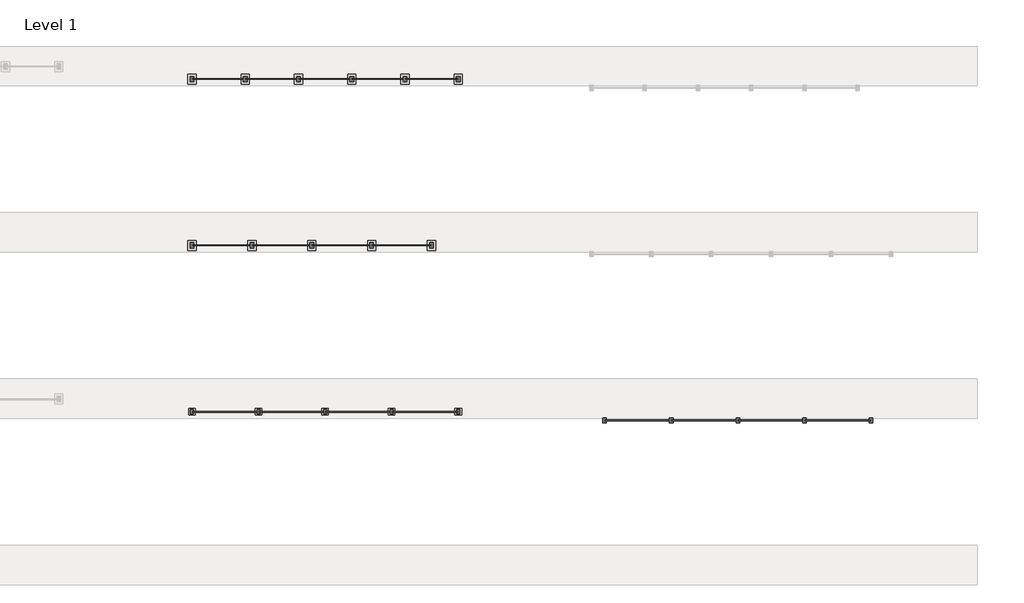
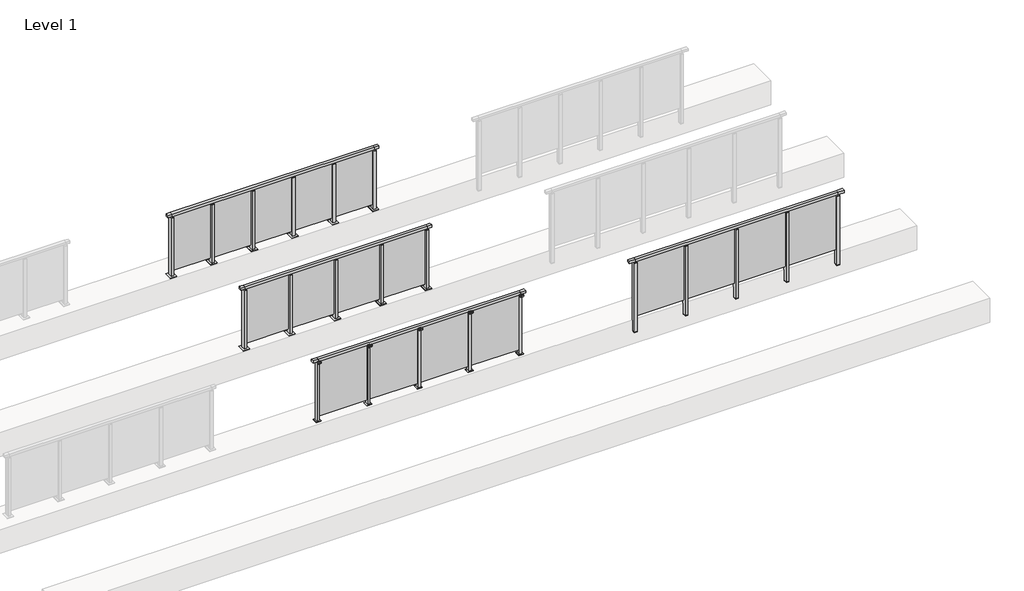
# One storey, part 33 of 38: 4 railings.
"""IFC4 building model written with IfcOpenShell, lengths in millimetres."""

from ifc_helpers import new_model, si_unit, point, frame, frame_2d, origin, origin_with_axes, place, context, project, spatial, polyline, circle_curve, trimmed, segment, composite_curve, outline, extrude, faceted_brep, element, save

model = new_model("IFC4")

# Units and contexts
model_context = context("Model", 3, world=origin())
ifc_project = project(units=[si_unit("LENGTHUNIT", "METRE", prefix="MILLI")], contexts=[model_context])

# Site, building, storey
site = spatial("IfcSite", under=ifc_project)
building = spatial("IfcBuilding", under=site)
storey = spatial("IfcBuildingStorey", under=building, Name="Level 1", Elevation=0.0)

# Railings
placement = place(None, origin())
element("IfcRailing", 1, at=placement, inside=storey, context=model_context, shape_type="SolidModel", body=[
    faceted_brep([(41676.1884576, 32397.6846828, 1252.5), (41676.1884576, 32397.6846828, 1300.0), (45676.1884576, 32397.6846828, 1300.0), (45676.1884576, 32397.6846828, 1252.5), (41676.1884576, 32337.6846828, 1252.5), (45676.1884576, 32337.6846828, 1252.5), (41676.1884576, 32337.6846828, 1300.0), (45676.1884576, 32337.6846828, 1300.0), (41553.1884576, 32397.6846828, 1300.0), (41553.1884576, 32397.6846828, 1252.5), (41553.1884576, 32337.6846828, 1252.5), (41553.1884576, 32337.6846828, 1300.0), (45799.1884576, 32397.6846828, 1300.0), (45799.1884576, 32337.6846828, 1300.0), (45799.1884576, 32337.6846828, 1252.5), (45799.1884576, 32397.6846828, 1252.5)], [[[0, 1, 2, 3]], [[4, 0, 3, 5]], [[6, 4, 5, 7]], [[1, 6, 7, 2]], [[8, 9, 10, 11]], [[9, 8, 1, 0]], [[10, 9, 0, 4]], [[11, 10, 4, 6]], [[8, 11, 6, 1]], [[12, 13, 14, 15]], [[3, 2, 12, 15]], [[5, 3, 15, 14]], [[7, 5, 14, 13]], [[2, 7, 13, 12]]]),
    extrude(outline(polyline([(44686.1884576, 32360.9094929), (44686.1884576, 32372.9094929), (45666.1884576, 32372.9094929), (45666.1884576, 32360.9094929), (44686.1884576, 32360.9094929)])), frame((0.0, 0.0, 95.0), z_axis=(0.0, 0.0, 1.0), x_axis=(1.0, 0.0, 0.0)), (0.0, 0.0, 1.0), 1160.0),
    extrude(outline(polyline([(44703.1884576, 32406.6846828), (44703.1884576, 32328.6846828), (44649.1884576, 32328.6846828), (44649.1884576, 32406.6846828), (44703.1884576, 32406.6846828)])), frame((0.0, 0.0, 1227.0), z_axis=(0.0, 0.0, 1.0), x_axis=(1.0, 0.0, 0.0)), (0.0, 0.0, 1.0), 8.0),
    extrude(outline(polyline([(44686.1884576, 32377.6846828), (44686.1884576, 32357.6846828), (44666.1884576, 32357.6846828), (44666.1884576, 32377.6846828), (44686.1884576, 32377.6846828)])), frame((0.0, 0.0, 1235.0), z_axis=(0.0, 0.0, 1.0), x_axis=(1.0, 0.0, 0.0)), (0.0, 0.0, 1.0), 20.0),
    extrude(outline(polyline([(44703.1884576, 32406.6846828), (44703.1884576, 32328.6846828), (44649.1884576, 32328.6846828), (44649.1884576, 32406.6846828), (44703.1884576, 32406.6846828)])), frame((0.0, 0.0, -220.0), z_axis=(0.0, 0.0, 1.0), x_axis=(1.0, 0.0, 0.0)), (0.0, 0.0, 1.0), 8.0),
    extrude(outline(polyline([(44703.1884576, 32406.6846828), (44703.1884576, 32328.6846828), (44649.1884576, 32328.6846828), (44649.1884576, 32406.6846828), (44703.1884576, 32406.6846828)])), frame((0.0, 0.0, -212.0), z_axis=(0.0, 0.0, 1.0), x_axis=(1.0, 0.0, 0.0)), (0.0, 0.0, 1.0), 1439.0),
    extrude(outline(polyline([(43686.1884576, 32360.9094929), (43686.1884576, 32372.9094929), (44666.1884576, 32372.9094929), (44666.1884576, 32360.9094929), (43686.1884576, 32360.9094929)])), frame((0.0, 0.0, 95.0), z_axis=(0.0, 0.0, 1.0), x_axis=(1.0, 0.0, 0.0)), (0.0, 0.0, 1.0), 1160.0),
    extrude(outline(polyline([(43703.1884576, 32406.6846828), (43703.1884576, 32328.6846828), (43649.1884576, 32328.6846828), (43649.1884576, 32406.6846828), (43703.1884576, 32406.6846828)])), frame((0.0, 0.0, 1227.0), z_axis=(0.0, 0.0, 1.0), x_axis=(1.0, 0.0, 0.0)), (0.0, 0.0, 1.0), 8.0),
    extrude(outline(polyline([(43686.1884576, 32377.6846828), (43686.1884576, 32357.6846828), (43666.1884576, 32357.6846828), (43666.1884576, 32377.6846828), (43686.1884576, 32377.6846828)])), frame((0.0, 0.0, 1235.0), z_axis=(0.0, 0.0, 1.0), x_axis=(1.0, 0.0, 0.0)), (0.0, 0.0, 1.0), 20.0),
    extrude(outline(polyline([(43703.1884576, 32406.6846828), (43703.1884576, 32328.6846828), (43649.1884576, 32328.6846828), (43649.1884576, 32406.6846828), (43703.1884576, 32406.6846828)])), frame((0.0, 0.0, -220.0), z_axis=(0.0, 0.0, 1.0), x_axis=(1.0, 0.0, 0.0)), (0.0, 0.0, 1.0), 8.0),
    extrude(outline(polyline([(43703.1884576, 32406.6846828), (43703.1884576, 32328.6846828), (43649.1884576, 32328.6846828), (43649.1884576, 32406.6846828), (43703.1884576, 32406.6846828)])), frame((0.0, 0.0, -212.0), z_axis=(0.0, 0.0, 1.0), x_axis=(1.0, 0.0, 0.0)), (0.0, 0.0, 1.0), 1439.0),
    extrude(outline(polyline([(42686.1884576, 32360.9094929), (42686.1884576, 32372.9094929), (43666.1884576, 32372.9094929), (43666.1884576, 32360.9094929), (42686.1884576, 32360.9094929)])), frame((0.0, 0.0, 95.0), z_axis=(0.0, 0.0, 1.0), x_axis=(1.0, 0.0, 0.0)), (0.0, 0.0, 1.0), 1160.0),
    extrude(outline(polyline([(42703.1884576, 32406.6846828), (42703.1884576, 32328.6846828), (42649.1884576, 32328.6846828), (42649.1884576, 32406.6846828), (42703.1884576, 32406.6846828)])), frame((0.0, 0.0, 1227.0), z_axis=(0.0, 0.0, 1.0), x_axis=(1.0, 0.0, 0.0)), (0.0, 0.0, 1.0), 8.0),
    extrude(outline(polyline([(42686.1884576, 32377.6846828), (42686.1884576, 32357.6846828), (42666.1884576, 32357.6846828), (42666.1884576, 32377.6846828), (42686.1884576, 32377.6846828)])), frame((0.0, 0.0, 1235.0), z_axis=(0.0, 0.0, 1.0), x_axis=(1.0, 0.0, 0.0)), (0.0, 0.0, 1.0), 20.0),
    extrude(outline(polyline([(42703.1884576, 32406.6846828), (42703.1884576, 32328.6846828), (42649.1884576, 32328.6846828), (42649.1884576, 32406.6846828), (42703.1884576, 32406.6846828)])), frame((0.0, 0.0, -220.0), z_axis=(0.0, 0.0, 1.0), x_axis=(1.0, 0.0, 0.0)), (0.0, 0.0, 1.0), 8.0),
    extrude(outline(polyline([(42703.1884576, 32406.6846828), (42703.1884576, 32328.6846828), (42649.1884576, 32328.6846828), (42649.1884576, 32406.6846828), (42703.1884576, 32406.6846828)])), frame((0.0, 0.0, -212.0), z_axis=(0.0, 0.0, 1.0), x_axis=(1.0, 0.0, 0.0)), (0.0, 0.0, 1.0), 1439.0),
    extrude(outline(polyline([(41686.1884576, 32360.9094929), (41686.1884576, 32372.9094929), (42666.1884576, 32372.9094929), (42666.1884576, 32360.9094929), (41686.1884576, 32360.9094929)])), frame((0.0, 0.0, 95.0), z_axis=(0.0, 0.0, 1.0), x_axis=(1.0, 0.0, 0.0)), (0.0, 0.0, 1.0), 1160.0),
    extrude(outline(polyline([(45703.1884576, 32406.6846828), (45703.1884576, 32328.6846828), (45649.1884576, 32328.6846828), (45649.1884576, 32406.6846828), (45703.1884576, 32406.6846828)])), frame((0.0, 0.0, 1227.0), z_axis=(0.0, 0.0, 1.0), x_axis=(1.0, 0.0, 0.0)), (0.0, 0.0, 1.0), 8.0),
    extrude(outline(polyline([(45686.1884576, 32377.6846828), (45686.1884576, 32357.6846828), (45666.1884576, 32357.6846828), (45666.1884576, 32377.6846828), (45686.1884576, 32377.6846828)])), frame((0.0, 0.0, 1235.0), z_axis=(0.0, 0.0, 1.0), x_axis=(1.0, 0.0, 0.0)), (0.0, 0.0, 1.0), 20.0),
    extrude(outline(polyline([(45703.1884576, 32406.6846828), (45703.1884576, 32328.6846828), (45649.1884576, 32328.6846828), (45649.1884576, 32406.6846828), (45703.1884576, 32406.6846828)])), frame((0.0, 0.0, -220.0), z_axis=(0.0, 0.0, 1.0), x_axis=(1.0, 0.0, 0.0)), (0.0, 0.0, 1.0), 8.0),
    extrude(outline(polyline([(45703.1884576, 32406.6846828), (45703.1884576, 32328.6846828), (45649.1884576, 32328.6846828), (45649.1884576, 32406.6846828), (45703.1884576, 32406.6846828)])), frame((0.0, 0.0, -212.0), z_axis=(0.0, 0.0, 1.0), x_axis=(1.0, 0.0, 0.0)), (0.0, 0.0, 1.0), 1439.0),
    extrude(outline(polyline([(41703.1884576, 32406.6846828), (41703.1884576, 32328.6846828), (41649.1884576, 32328.6846828), (41649.1884576, 32406.6846828), (41703.1884576, 32406.6846828)])), frame((0.0, 0.0, 1227.0), z_axis=(0.0, 0.0, 1.0), x_axis=(1.0, 0.0, 0.0)), (0.0, 0.0, 1.0), 8.0),
    extrude(outline(polyline([(41686.1884576, 32377.6846828), (41686.1884576, 32357.6846828), (41666.1884576, 32357.6846828), (41666.1884576, 32377.6846828), (41686.1884576, 32377.6846828)])), frame((0.0, 0.0, 1235.0), z_axis=(0.0, 0.0, 1.0), x_axis=(1.0, 0.0, 0.0)), (0.0, 0.0, 1.0), 20.0),
    extrude(outline(polyline([(41703.1884576, 32406.6846828), (41703.1884576, 32328.6846828), (41649.1884576, 32328.6846828), (41649.1884576, 32406.6846828), (41703.1884576, 32406.6846828)])), frame((0.0, 0.0, -220.0), z_axis=(0.0, 0.0, 1.0), x_axis=(1.0, 0.0, 0.0)), (0.0, 0.0, 1.0), 8.0),
    extrude(outline(polyline([(41703.1884576, 32406.6846828), (41703.1884576, 32328.6846828), (41649.1884576, 32328.6846828), (41649.1884576, 32406.6846828), (41703.1884576, 32406.6846828)])), frame((0.0, 0.0, -212.0), z_axis=(0.0, 0.0, 1.0), x_axis=(1.0, 0.0, 0.0)), (0.0, 0.0, 1.0), 1439.0),
])
element("IfcRailing", 2, at=placement, inside=storey, context=model_context, shape_type="SolidModel", body=[
    faceted_brep([(35376.1884576, 32530.1846828, 1300.0), (35376.1884576, 32530.1846828, 1252.5), (35376.1884576, 32470.1846828, 1252.5), (35376.1884576, 32470.1846828, 1300.0), (35476.1884576, 32530.1846828, 1300.0), (35476.1884576, 32530.1846828, 1252.5), (35476.1884576, 32470.1846828, 1252.5), (35476.1884576, 32470.1846828, 1300.0), (39476.1884576, 32530.1846828, 1300.0), (39476.1884576, 32530.1846828, 1252.5), (39476.1884576, 32470.1846828, 1252.5), (39476.1884576, 32470.1846828, 1300.0), (39576.1884576, 32530.1846828, 1300.0), (39576.1884576, 32470.1846828, 1300.0), (39576.1884576, 32470.1846828, 1252.5), (39576.1884576, 32530.1846828, 1252.5)], [[[0, 1, 2, 3]], [[1, 0, 4, 5]], [[2, 1, 5, 6]], [[3, 2, 6, 7]], [[0, 3, 7, 4]], [[5, 4, 8, 9]], [[6, 5, 9, 10]], [[7, 6, 10, 11]], [[4, 7, 11, 8]], [[12, 13, 14, 15]], [[9, 8, 12, 15]], [[10, 9, 15, 14]], [[11, 10, 14, 13]], [[8, 11, 13, 12]]]),
    extrude(outline(polyline([(38486.1884576, 32501.9598727), (39466.1884576, 32501.9598727), (39466.1884576, 32489.9598727), (38486.1884576, 32489.9598727), (38486.1884576, 32501.9598727)])), frame((0.0, 0.0, 95.0), z_axis=(0.0, 0.0, 1.0), x_axis=(1.0, 0.0, 0.0)), (0.0, 0.0, 1.0), 1160.0),
    extrude(outline(composite_curve([segment(polyline([(32379.6846828, 1300.0), (32403.6846828, 1300.0), (32403.6846828, 1272.1487483), (32467.6846828, 1255.0), (32467.6846828, 1205.0), (32459.0523072, 1205.0)]), True, "CONTINUOUS"), segment(trimmed(circle_curve(frame_2d((32459.0523072, 1208.0)), 3.0), [point((32459.0523072, 1205.0))], [point((32456.0779726, 1207.6084214))], False, "CARTESIAN"), True, "CONTINUOUS"), segment(polyline([(32456.0779726, 1207.6084214), (32451.4711505, 1242.6007097)]), True, "CONTINUOUS"), segment(trimmed(circle_curve(frame_2d((32441.5567019, 1241.2954478)), 10.0), [point((32451.4711505, 1242.6007097))], [point((32444.1448923, 1250.9547061))], True, "CARTESIAN"), True, "CONTINUOUS"), segment(polyline([(32444.1448923, 1250.9547061), (32387.0964924, 1266.2407787)]), True, "CONTINUOUS"), segment(trimmed(circle_curve(frame_2d((32389.6846828, 1275.900037)), 10.0), [point((32387.0964924, 1266.2407787))], [point((32379.6846828, 1275.900037))], False, "CARTESIAN"), True, "CONTINUOUS"), segment(polyline([(32379.6846828, 1275.900037), (32379.6846828, 1300.0)]), True, "CONTINUOUS")], self_intersect=False)), frame((38463.6884576, 0.0, 0.0), z_axis=(1.0, 0.0, 0.0), x_axis=(0.0, 1.0, 0.0)), (0.0, 0.0, 1.0), 25.0),
    extrude(outline(polyline([(38498.6884576, 32467.6846828), (38453.6884576, 32467.6846828), (38453.6884576, 32532.6846828), (38498.6884576, 32532.6846828), (38498.6884576, 32467.6846828)])), frame((0.0, 0.0, 12.0), z_axis=(0.0, 0.0, 1.0), x_axis=(1.0, 0.0, 0.0)), (0.0, 0.0, 1.0), 1243.0),
    extrude(outline(polyline([(38498.6884576, 32467.6846828), (38453.6884576, 32467.6846828), (38453.6884576, 32532.6846828), (38498.6884576, 32532.6846828), (38498.6884576, 32467.6846828)])), frame((0.0, 0.0, 1255.0), z_axis=(0.0, 0.0, 1.0), x_axis=(1.0, 0.0, 0.0)), (0.0, 0.0, 1.0), 5.0),
    extrude(outline(polyline([(38526.1884576, 32450.1846828), (38426.1884576, 32450.1846828), (38426.1884576, 32550.1846828), (38526.1884576, 32550.1846828), (38526.1884576, 32450.1846828)])), origin_with_axes(), (0.0, 0.0, 1.0), 12.0),
    extrude(outline(polyline([(37486.1884576, 32501.9598727), (38466.1884576, 32501.9598727), (38466.1884576, 32489.9598727), (37486.1884576, 32489.9598727), (37486.1884576, 32501.9598727)])), frame((0.0, 0.0, 95.0), z_axis=(0.0, 0.0, 1.0), x_axis=(1.0, 0.0, 0.0)), (0.0, 0.0, 1.0), 1160.0),
    extrude(outline(composite_curve([segment(polyline([(32379.6846828, 1300.0), (32403.6846828, 1300.0), (32403.6846828, 1272.1487483), (32467.6846828, 1255.0), (32467.6846828, 1205.0), (32459.0523072, 1205.0)]), True, "CONTINUOUS"), segment(trimmed(circle_curve(frame_2d((32459.0523072, 1208.0)), 3.0), [point((32459.0523072, 1205.0))], [point((32456.0779726, 1207.6084214))], False, "CARTESIAN"), True, "CONTINUOUS"), segment(polyline([(32456.0779726, 1207.6084214), (32451.4711505, 1242.6007097)]), True, "CONTINUOUS"), segment(trimmed(circle_curve(frame_2d((32441.5567019, 1241.2954478)), 10.0), [point((32451.4711505, 1242.6007097))], [point((32444.1448923, 1250.9547061))], True, "CARTESIAN"), True, "CONTINUOUS"), segment(polyline([(32444.1448923, 1250.9547061), (32387.0964924, 1266.2407787)]), True, "CONTINUOUS"), segment(trimmed(circle_curve(frame_2d((32389.6846828, 1275.900037)), 10.0), [point((32387.0964924, 1266.2407787))], [point((32379.6846828, 1275.900037))], False, "CARTESIAN"), True, "CONTINUOUS"), segment(polyline([(32379.6846828, 1275.900037), (32379.6846828, 1300.0)]), True, "CONTINUOUS")], self_intersect=False)), frame((37463.6884576, 0.0, 0.0), z_axis=(1.0, 0.0, 0.0), x_axis=(0.0, 1.0, 0.0)), (0.0, 0.0, 1.0), 25.0),
    extrude(outline(polyline([(37498.6884576, 32467.6846828), (37453.6884576, 32467.6846828), (37453.6884576, 32532.6846828), (37498.6884576, 32532.6846828), (37498.6884576, 32467.6846828)])), frame((0.0, 0.0, 12.0), z_axis=(0.0, 0.0, 1.0), x_axis=(1.0, 0.0, 0.0)), (0.0, 0.0, 1.0), 1243.0),
    extrude(outline(polyline([(37498.6884576, 32467.6846828), (37453.6884576, 32467.6846828), (37453.6884576, 32532.6846828), (37498.6884576, 32532.6846828), (37498.6884576, 32467.6846828)])), frame((0.0, 0.0, 1255.0), z_axis=(0.0, 0.0, 1.0), x_axis=(1.0, 0.0, 0.0)), (0.0, 0.0, 1.0), 5.0),
    extrude(outline(polyline([(37526.1884576, 32450.1846828), (37426.1884576, 32450.1846828), (37426.1884576, 32550.1846828), (37526.1884576, 32550.1846828), (37526.1884576, 32450.1846828)])), origin_with_axes(), (0.0, 0.0, 1.0), 12.0),
    extrude(outline(polyline([(36486.1884576, 32501.9598727), (37466.1884576, 32501.9598727), (37466.1884576, 32489.9598727), (36486.1884576, 32489.9598727), (36486.1884576, 32501.9598727)])), frame((0.0, 0.0, 95.0), z_axis=(0.0, 0.0, 1.0), x_axis=(1.0, 0.0, 0.0)), (0.0, 0.0, 1.0), 1160.0),
    extrude(outline(composite_curve([segment(polyline([(32379.6846828, 1300.0), (32403.6846828, 1300.0), (32403.6846828, 1272.1487483), (32467.6846828, 1255.0), (32467.6846828, 1205.0), (32459.0523072, 1205.0)]), True, "CONTINUOUS"), segment(trimmed(circle_curve(frame_2d((32459.0523072, 1208.0)), 3.0), [point((32459.0523072, 1205.0))], [point((32456.0779726, 1207.6084214))], False, "CARTESIAN"), True, "CONTINUOUS"), segment(polyline([(32456.0779726, 1207.6084214), (32451.4711505, 1242.6007097)]), True, "CONTINUOUS"), segment(trimmed(circle_curve(frame_2d((32441.5567019, 1241.2954478)), 10.0), [point((32451.4711505, 1242.6007097))], [point((32444.1448923, 1250.9547061))], True, "CARTESIAN"), True, "CONTINUOUS"), segment(polyline([(32444.1448923, 1250.9547061), (32387.0964924, 1266.2407787)]), True, "CONTINUOUS"), segment(trimmed(circle_curve(frame_2d((32389.6846828, 1275.900037)), 10.0), [point((32387.0964924, 1266.2407787))], [point((32379.6846828, 1275.900037))], False, "CARTESIAN"), True, "CONTINUOUS"), segment(polyline([(32379.6846828, 1275.900037), (32379.6846828, 1300.0)]), True, "CONTINUOUS")], self_intersect=False)), frame((36463.6884576, 0.0, 0.0), z_axis=(1.0, 0.0, 0.0), x_axis=(0.0, 1.0, 0.0)), (0.0, 0.0, 1.0), 25.0),
    extrude(outline(polyline([(36498.6884576, 32467.6846828), (36453.6884576, 32467.6846828), (36453.6884576, 32532.6846828), (36498.6884576, 32532.6846828), (36498.6884576, 32467.6846828)])), frame((0.0, 0.0, 12.0), z_axis=(0.0, 0.0, 1.0), x_axis=(1.0, 0.0, 0.0)), (0.0, 0.0, 1.0), 1243.0),
    extrude(outline(polyline([(36498.6884576, 32467.6846828), (36453.6884576, 32467.6846828), (36453.6884576, 32532.6846828), (36498.6884576, 32532.6846828), (36498.6884576, 32467.6846828)])), frame((0.0, 0.0, 1255.0), z_axis=(0.0, 0.0, 1.0), x_axis=(1.0, 0.0, 0.0)), (0.0, 0.0, 1.0), 5.0),
    extrude(outline(polyline([(36526.1884576, 32450.1846828), (36426.1884576, 32450.1846828), (36426.1884576, 32550.1846828), (36526.1884576, 32550.1846828), (36526.1884576, 32450.1846828)])), origin_with_axes(), (0.0, 0.0, 1.0), 12.0),
    extrude(outline(polyline([(35486.1884576, 32501.9598727), (36466.1884576, 32501.9598727), (36466.1884576, 32489.9598727), (35486.1884576, 32489.9598727), (35486.1884576, 32501.9598727)])), frame((0.0, 0.0, 95.0), z_axis=(0.0, 0.0, 1.0), x_axis=(1.0, 0.0, 0.0)), (0.0, 0.0, 1.0), 1160.0),
    extrude(outline(composite_curve([segment(polyline([(32379.6846828, 1300.0), (32403.6846828, 1300.0), (32403.6846828, 1272.1487483), (32467.6846828, 1255.0), (32467.6846828, 1205.0), (32459.0523072, 1205.0)]), True, "CONTINUOUS"), segment(trimmed(circle_curve(frame_2d((32459.0523072, 1208.0)), 3.0), [point((32459.0523072, 1205.0))], [point((32456.0779726, 1207.6084214))], False, "CARTESIAN"), True, "CONTINUOUS"), segment(polyline([(32456.0779726, 1207.6084214), (32451.4711505, 1242.6007097)]), True, "CONTINUOUS"), segment(trimmed(circle_curve(frame_2d((32441.5567019, 1241.2954478)), 10.0), [point((32451.4711505, 1242.6007097))], [point((32444.1448923, 1250.9547061))], True, "CARTESIAN"), True, "CONTINUOUS"), segment(polyline([(32444.1448923, 1250.9547061), (32387.0964924, 1266.2407787)]), True, "CONTINUOUS"), segment(trimmed(circle_curve(frame_2d((32389.6846828, 1275.900037)), 10.0), [point((32387.0964924, 1266.2407787))], [point((32379.6846828, 1275.900037))], False, "CARTESIAN"), True, "CONTINUOUS"), segment(polyline([(32379.6846828, 1275.900037), (32379.6846828, 1300.0)]), True, "CONTINUOUS")], self_intersect=False)), frame((39463.6884576, 0.0, 0.0), z_axis=(1.0, 0.0, 0.0), x_axis=(0.0, 1.0, 0.0)), (0.0, 0.0, 1.0), 25.0),
    extrude(outline(polyline([(39498.6884576, 32467.6846828), (39453.6884576, 32467.6846828), (39453.6884576, 32532.6846828), (39498.6884576, 32532.6846828), (39498.6884576, 32467.6846828)])), frame((0.0, 0.0, 12.0), z_axis=(0.0, 0.0, 1.0), x_axis=(1.0, 0.0, 0.0)), (0.0, 0.0, 1.0), 1243.0),
    extrude(outline(polyline([(39498.6884576, 32467.6846828), (39453.6884576, 32467.6846828), (39453.6884576, 32532.6846828), (39498.6884576, 32532.6846828), (39498.6884576, 32467.6846828)])), frame((0.0, 0.0, 1255.0), z_axis=(0.0, 0.0, 1.0), x_axis=(1.0, 0.0, 0.0)), (0.0, 0.0, 1.0), 5.0),
    extrude(outline(polyline([(39526.1884576, 32450.1846828), (39426.1884576, 32450.1846828), (39426.1884576, 32550.1846828), (39526.1884576, 32550.1846828), (39526.1884576, 32450.1846828)])), origin_with_axes(), (0.0, 0.0, 1.0), 12.0),
    extrude(outline(composite_curve([segment(polyline([(32379.6846828, 1300.0), (32403.6846828, 1300.0), (32403.6846828, 1272.1487483), (32467.6846828, 1255.0), (32467.6846828, 1205.0), (32459.0523072, 1205.0)]), True, "CONTINUOUS"), segment(trimmed(circle_curve(frame_2d((32459.0523072, 1208.0)), 3.0), [point((32459.0523072, 1205.0))], [point((32456.0779726, 1207.6084214))], False, "CARTESIAN"), True, "CONTINUOUS"), segment(polyline([(32456.0779726, 1207.6084214), (32451.4711505, 1242.6007097)]), True, "CONTINUOUS"), segment(trimmed(circle_curve(frame_2d((32441.5567019, 1241.2954478)), 10.0), [point((32451.4711505, 1242.6007097))], [point((32444.1448923, 1250.9547061))], True, "CARTESIAN"), True, "CONTINUOUS"), segment(polyline([(32444.1448923, 1250.9547061), (32387.0964924, 1266.2407787)]), True, "CONTINUOUS"), segment(trimmed(circle_curve(frame_2d((32389.6846828, 1275.900037)), 10.0), [point((32387.0964924, 1266.2407787))], [point((32379.6846828, 1275.900037))], False, "CARTESIAN"), True, "CONTINUOUS"), segment(polyline([(32379.6846828, 1275.900037), (32379.6846828, 1300.0)]), True, "CONTINUOUS")], self_intersect=False)), frame((35463.6884576, 0.0, 0.0), z_axis=(1.0, 0.0, 0.0), x_axis=(0.0, 1.0, 0.0)), (0.0, 0.0, 1.0), 25.0),
    extrude(outline(polyline([(35498.6884576, 32467.6846828), (35453.6884576, 32467.6846828), (35453.6884576, 32532.6846828), (35498.6884576, 32532.6846828), (35498.6884576, 32467.6846828)])), frame((0.0, 0.0, 12.0), z_axis=(0.0, 0.0, 1.0), x_axis=(1.0, 0.0, 0.0)), (0.0, 0.0, 1.0), 1243.0),
    extrude(outline(polyline([(35498.6884576, 32467.6846828), (35453.6884576, 32467.6846828), (35453.6884576, 32532.6846828), (35498.6884576, 32532.6846828), (35498.6884576, 32467.6846828)])), frame((0.0, 0.0, 1255.0), z_axis=(0.0, 0.0, 1.0), x_axis=(1.0, 0.0, 0.0)), (0.0, 0.0, 1.0), 5.0),
    extrude(outline(polyline([(35526.1884576, 32450.1846828), (35426.1884576, 32450.1846828), (35426.1884576, 32550.1846828), (35526.1884576, 32550.1846828), (35526.1884576, 32450.1846828)])), origin_with_axes(), (0.0, 0.0, 1.0), 12.0),
])
element("IfcRailing", 3, at=placement, inside=storey, context=model_context, shape_type="SolidModel", body=[
    faceted_brep([(35476.1884576, 35030.1846828, 1252.5), (35476.1884576, 35030.1846828, 1300.0), (39076.1884576, 35030.1846828, 1300.0), (39076.1884576, 35030.1846828, 1252.5), (35476.1884576, 34970.1846828, 1252.5), (39076.1884576, 34970.1846828, 1252.5), (35476.1884576, 34970.1846828, 1300.0), (39076.1884576, 34970.1846828, 1300.0), (35388.6884576, 35030.1846828, 1300.0), (35388.6884576, 35030.1846828, 1252.5), (35388.6884576, 34970.1846828, 1252.5), (35388.6884576, 34970.1846828, 1300.0), (39163.6884576, 35030.1846828, 1300.0), (39163.6884576, 34970.1846828, 1300.0), (39163.6884576, 34970.1846828, 1252.5), (39163.6884576, 35030.1846828, 1252.5)], [[[0, 1, 2, 3]], [[4, 0, 3, 5]], [[6, 4, 5, 7]], [[1, 6, 7, 2]], [[8, 9, 10, 11]], [[9, 8, 1, 0]], [[10, 9, 0, 4]], [[11, 10, 4, 6]], [[8, 11, 6, 1]], [[12, 13, 14, 15]], [[3, 2, 12, 15]], [[5, 3, 15, 14]], [[7, 5, 14, 13]], [[2, 7, 13, 12]]]),
    extrude(outline(polyline([(38186.1884576, 35006.9598727), (39066.1884576, 35006.9598727), (39066.1884576, 34994.9598727), (38186.1884576, 34994.9598727), (38186.1884576, 35006.9598727)])), frame((0.0, 0.0, 95.0), z_axis=(0.0, 0.0, 1.0), x_axis=(1.0, 0.0, 0.0)), (0.0, 0.0, 1.0), 1160.0),
    extrude(outline(polyline([(38203.1884576, 34961.1846828), (38149.1884576, 34961.1846828), (38149.1884576, 35039.1846828), (38203.1884576, 35039.1846828), (38203.1884576, 34961.1846828)])), frame((0.0, 0.0, 12.0), z_axis=(0.0, 0.0, 1.0), x_axis=(1.0, 0.0, 0.0)), (0.0, 0.0, 1.0), 1215.0),
    extrude(outline(polyline([(38186.1884576, 34990.1846828), (38166.1884576, 34990.1846828), (38166.1884576, 35010.1846828), (38186.1884576, 35010.1846828), (38186.1884576, 34990.1846828)])), frame((0.0, 0.0, 1235.0), z_axis=(0.0, 0.0, 1.0), x_axis=(1.0, 0.0, 0.0)), (0.0, 0.0, 1.0), 20.0),
    extrude(outline(polyline([(38203.1884576, 34961.1846828), (38149.1884576, 34961.1846828), (38149.1884576, 35039.1846828), (38203.1884576, 35039.1846828), (38203.1884576, 34961.1846828)])), frame((0.0, 0.0, 1227.0), z_axis=(0.0, 0.0, 1.0), x_axis=(1.0, 0.0, 0.0)), (0.0, 0.0, 1.0), 8.0),
    extrude(outline(polyline([(38238.6884576, 34925.1846828), (38113.6884576, 34925.1846828), (38113.6884576, 35075.1846828), (38238.6884576, 35075.1846828), (38238.6884576, 34925.1846828)])), origin_with_axes(), (0.0, 0.0, 1.0), 12.0),
    extrude(outline(polyline([(37286.1884576, 35006.9598727), (38166.1884576, 35006.9598727), (38166.1884576, 34994.9598727), (37286.1884576, 34994.9598727), (37286.1884576, 35006.9598727)])), frame((0.0, 0.0, 95.0), z_axis=(0.0, 0.0, 1.0), x_axis=(1.0, 0.0, 0.0)), (0.0, 0.0, 1.0), 1160.0),
    extrude(outline(polyline([(37303.1884576, 34961.1846828), (37249.1884576, 34961.1846828), (37249.1884576, 35039.1846828), (37303.1884576, 35039.1846828), (37303.1884576, 34961.1846828)])), frame((0.0, 0.0, 12.0), z_axis=(0.0, 0.0, 1.0), x_axis=(1.0, 0.0, 0.0)), (0.0, 0.0, 1.0), 1215.0),
    extrude(outline(polyline([(37286.1884576, 34990.1846828), (37266.1884576, 34990.1846828), (37266.1884576, 35010.1846828), (37286.1884576, 35010.1846828), (37286.1884576, 34990.1846828)])), frame((0.0, 0.0, 1235.0), z_axis=(0.0, 0.0, 1.0), x_axis=(1.0, 0.0, 0.0)), (0.0, 0.0, 1.0), 20.0),
    extrude(outline(polyline([(37303.1884576, 34961.1846828), (37249.1884576, 34961.1846828), (37249.1884576, 35039.1846828), (37303.1884576, 35039.1846828), (37303.1884576, 34961.1846828)])), frame((0.0, 0.0, 1227.0), z_axis=(0.0, 0.0, 1.0), x_axis=(1.0, 0.0, 0.0)), (0.0, 0.0, 1.0), 8.0),
    extrude(outline(polyline([(37338.6884576, 34925.1846828), (37213.6884576, 34925.1846828), (37213.6884576, 35075.1846828), (37338.6884576, 35075.1846828), (37338.6884576, 34925.1846828)])), origin_with_axes(), (0.0, 0.0, 1.0), 12.0),
    extrude(outline(polyline([(36386.1884576, 35006.9598727), (37266.1884576, 35006.9598727), (37266.1884576, 34994.9598727), (36386.1884576, 34994.9598727), (36386.1884576, 35006.9598727)])), frame((0.0, 0.0, 95.0), z_axis=(0.0, 0.0, 1.0), x_axis=(1.0, 0.0, 0.0)), (0.0, 0.0, 1.0), 1160.0),
    extrude(outline(polyline([(36403.1884576, 34961.1846828), (36349.1884576, 34961.1846828), (36349.1884576, 35039.1846828), (36403.1884576, 35039.1846828), (36403.1884576, 34961.1846828)])), frame((0.0, 0.0, 12.0), z_axis=(0.0, 0.0, 1.0), x_axis=(1.0, 0.0, 0.0)), (0.0, 0.0, 1.0), 1215.0),
    extrude(outline(polyline([(36386.1884576, 34990.1846828), (36366.1884576, 34990.1846828), (36366.1884576, 35010.1846828), (36386.1884576, 35010.1846828), (36386.1884576, 34990.1846828)])), frame((0.0, 0.0, 1235.0), z_axis=(0.0, 0.0, 1.0), x_axis=(1.0, 0.0, 0.0)), (0.0, 0.0, 1.0), 20.0),
    extrude(outline(polyline([(36403.1884576, 34961.1846828), (36349.1884576, 34961.1846828), (36349.1884576, 35039.1846828), (36403.1884576, 35039.1846828), (36403.1884576, 34961.1846828)])), frame((0.0, 0.0, 1227.0), z_axis=(0.0, 0.0, 1.0), x_axis=(1.0, 0.0, 0.0)), (0.0, 0.0, 1.0), 8.0),
    extrude(outline(polyline([(36438.6884576, 34925.1846828), (36313.6884576, 34925.1846828), (36313.6884576, 35075.1846828), (36438.6884576, 35075.1846828), (36438.6884576, 34925.1846828)])), origin_with_axes(), (0.0, 0.0, 1.0), 12.0),
    extrude(outline(polyline([(35486.1884576, 35006.9598727), (36366.1884576, 35006.9598727), (36366.1884576, 34994.9598727), (35486.1884576, 34994.9598727), (35486.1884576, 35006.9598727)])), frame((0.0, 0.0, 95.0), z_axis=(0.0, 0.0, 1.0), x_axis=(1.0, 0.0, 0.0)), (0.0, 0.0, 1.0), 1160.0),
    extrude(outline(polyline([(39103.1884576, 34961.1846828), (39049.1884576, 34961.1846828), (39049.1884576, 35039.1846828), (39103.1884576, 35039.1846828), (39103.1884576, 34961.1846828)])), frame((0.0, 0.0, 12.0), z_axis=(0.0, 0.0, 1.0), x_axis=(1.0, 0.0, 0.0)), (0.0, 0.0, 1.0), 1215.0),
    extrude(outline(polyline([(39086.1884576, 34990.1846828), (39066.1884576, 34990.1846828), (39066.1884576, 35010.1846828), (39086.1884576, 35010.1846828), (39086.1884576, 34990.1846828)])), frame((0.0, 0.0, 1235.0), z_axis=(0.0, 0.0, 1.0), x_axis=(1.0, 0.0, 0.0)), (0.0, 0.0, 1.0), 20.0),
    extrude(outline(polyline([(39103.1884576, 34961.1846828), (39049.1884576, 34961.1846828), (39049.1884576, 35039.1846828), (39103.1884576, 35039.1846828), (39103.1884576, 34961.1846828)])), frame((0.0, 0.0, 1227.0), z_axis=(0.0, 0.0, 1.0), x_axis=(1.0, 0.0, 0.0)), (0.0, 0.0, 1.0), 8.0),
    extrude(outline(polyline([(39138.6884576, 34925.1846828), (39013.6884576, 34925.1846828), (39013.6884576, 35075.1846828), (39138.6884576, 35075.1846828), (39138.6884576, 34925.1846828)])), origin_with_axes(), (0.0, 0.0, 1.0), 12.0),
    extrude(outline(polyline([(35503.1884576, 34961.1846828), (35449.1884576, 34961.1846828), (35449.1884576, 35039.1846828), (35503.1884576, 35039.1846828), (35503.1884576, 34961.1846828)])), frame((0.0, 0.0, 12.0), z_axis=(0.0, 0.0, 1.0), x_axis=(1.0, 0.0, 0.0)), (0.0, 0.0, 1.0), 1215.0),
    extrude(outline(polyline([(35486.1884576, 34990.1846828), (35466.1884576, 34990.1846828), (35466.1884576, 35010.1846828), (35486.1884576, 35010.1846828), (35486.1884576, 34990.1846828)])), frame((0.0, 0.0, 1235.0), z_axis=(0.0, 0.0, 1.0), x_axis=(1.0, 0.0, 0.0)), (0.0, 0.0, 1.0), 20.0),
    extrude(outline(polyline([(35503.1884576, 34961.1846828), (35449.1884576, 34961.1846828), (35449.1884576, 35039.1846828), (35503.1884576, 35039.1846828), (35503.1884576, 34961.1846828)])), frame((0.0, 0.0, 1227.0), z_axis=(0.0, 0.0, 1.0), x_axis=(1.0, 0.0, 0.0)), (0.0, 0.0, 1.0), 8.0),
    extrude(outline(polyline([(35538.6884576, 34925.1846828), (35413.6884576, 34925.1846828), (35413.6884576, 35075.1846828), (35538.6884576, 35075.1846828), (35538.6884576, 34925.1846828)])), origin_with_axes(), (0.0, 0.0, 1.0), 12.0),
])
element("IfcRailing", 4, at=placement, inside=storey, context=model_context, shape_type="SolidModel", body=[
    faceted_brep([(35476.1884576, 37530.1846828, 1252.5), (35476.1884576, 37530.1846828, 1300.0), (39476.1884576, 37530.1846828, 1300.0), (39476.1884576, 37530.1846828, 1252.5), (35476.1884576, 37470.1846828, 1252.5), (39476.1884576, 37470.1846828, 1252.5), (35476.1884576, 37470.1846828, 1300.0), (39476.1884576, 37470.1846828, 1300.0), (35388.6884576, 37530.1846828, 1300.0), (35388.6884576, 37530.1846828, 1252.5), (35388.6884576, 37470.1846828, 1252.5), (35388.6884576, 37470.1846828, 1300.0), (39563.6884576, 37530.1846828, 1300.0), (39563.6884576, 37470.1846828, 1300.0), (39563.6884576, 37470.1846828, 1252.5), (39563.6884576, 37530.1846828, 1252.5)], [[[0, 1, 2, 3]], [[4, 0, 3, 5]], [[6, 4, 5, 7]], [[1, 6, 7, 2]], [[8, 9, 10, 11]], [[9, 8, 1, 0]], [[10, 9, 0, 4]], [[11, 10, 4, 6]], [[8, 11, 6, 1]], [[12, 13, 14, 15]], [[3, 2, 12, 15]], [[5, 3, 15, 14]], [[7, 5, 14, 13]], [[2, 7, 13, 12]]]),
    extrude(outline(polyline([(38686.1884576, 37506.9598727), (39466.1884576, 37506.9598727), (39466.1884576, 37494.9598727), (38686.1884576, 37494.9598727), (38686.1884576, 37506.9598727)])), frame((0.0, 0.0, 95.0), z_axis=(0.0, 0.0, 1.0), x_axis=(1.0, 0.0, 0.0)), (0.0, 0.0, 1.0), 1160.0),
    extrude(outline(polyline([(38703.1884576, 37461.1846828), (38649.1884576, 37461.1846828), (38649.1884576, 37539.1846828), (38703.1884576, 37539.1846828), (38703.1884576, 37461.1846828)])), frame((0.0, 0.0, 12.0), z_axis=(0.0, 0.0, 1.0), x_axis=(1.0, 0.0, 0.0)), (0.0, 0.0, 1.0), 1215.0),
    extrude(outline(polyline([(38686.1884576, 37490.1846828), (38666.1884576, 37490.1846828), (38666.1884576, 37510.1846828), (38686.1884576, 37510.1846828), (38686.1884576, 37490.1846828)])), frame((0.0, 0.0, 1235.0), z_axis=(0.0, 0.0, 1.0), x_axis=(1.0, 0.0, 0.0)), (0.0, 0.0, 1.0), 20.0),
    extrude(outline(polyline([(38703.1884576, 37461.1846828), (38649.1884576, 37461.1846828), (38649.1884576, 37539.1846828), (38703.1884576, 37539.1846828), (38703.1884576, 37461.1846828)])), frame((0.0, 0.0, 1227.0), z_axis=(0.0, 0.0, 1.0), x_axis=(1.0, 0.0, 0.0)), (0.0, 0.0, 1.0), 8.0),
    extrude(outline(polyline([(38738.6884576, 37425.1846828), (38613.6884576, 37425.1846828), (38613.6884576, 37575.1846828), (38738.6884576, 37575.1846828), (38738.6884576, 37425.1846828)])), origin_with_axes(), (0.0, 0.0, 1.0), 12.0),
    extrude(outline(polyline([(37886.1884576, 37506.9598727), (38666.1884576, 37506.9598727), (38666.1884576, 37494.9598727), (37886.1884576, 37494.9598727), (37886.1884576, 37506.9598727)])), frame((0.0, 0.0, 95.0), z_axis=(0.0, 0.0, 1.0), x_axis=(1.0, 0.0, 0.0)), (0.0, 0.0, 1.0), 1160.0),
    extrude(outline(polyline([(37903.1884576, 37461.1846828), (37849.1884576, 37461.1846828), (37849.1884576, 37539.1846828), (37903.1884576, 37539.1846828), (37903.1884576, 37461.1846828)])), frame((0.0, 0.0, 12.0), z_axis=(0.0, 0.0, 1.0), x_axis=(1.0, 0.0, 0.0)), (0.0, 0.0, 1.0), 1215.0),
    extrude(outline(polyline([(37886.1884576, 37490.1846828), (37866.1884576, 37490.1846828), (37866.1884576, 37510.1846828), (37886.1884576, 37510.1846828), (37886.1884576, 37490.1846828)])), frame((0.0, 0.0, 1235.0), z_axis=(0.0, 0.0, 1.0), x_axis=(1.0, 0.0, 0.0)), (0.0, 0.0, 1.0), 20.0),
    extrude(outline(polyline([(37903.1884576, 37461.1846828), (37849.1884576, 37461.1846828), (37849.1884576, 37539.1846828), (37903.1884576, 37539.1846828), (37903.1884576, 37461.1846828)])), frame((0.0, 0.0, 1227.0), z_axis=(0.0, 0.0, 1.0), x_axis=(1.0, 0.0, 0.0)), (0.0, 0.0, 1.0), 8.0),
    extrude(outline(polyline([(37938.6884576, 37425.1846828), (37813.6884576, 37425.1846828), (37813.6884576, 37575.1846828), (37938.6884576, 37575.1846828), (37938.6884576, 37425.1846828)])), origin_with_axes(), (0.0, 0.0, 1.0), 12.0),
    extrude(outline(polyline([(37086.1884576, 37506.9598727), (37866.1884576, 37506.9598727), (37866.1884576, 37494.9598727), (37086.1884576, 37494.9598727), (37086.1884576, 37506.9598727)])), frame((0.0, 0.0, 95.0), z_axis=(0.0, 0.0, 1.0), x_axis=(1.0, 0.0, 0.0)), (0.0, 0.0, 1.0), 1160.0),
    extrude(outline(polyline([(37103.1884576, 37461.1846828), (37049.1884576, 37461.1846828), (37049.1884576, 37539.1846828), (37103.1884576, 37539.1846828), (37103.1884576, 37461.1846828)])), frame((0.0, 0.0, 12.0), z_axis=(0.0, 0.0, 1.0), x_axis=(1.0, 0.0, 0.0)), (0.0, 0.0, 1.0), 1215.0),
    extrude(outline(polyline([(37086.1884576, 37490.1846828), (37066.1884576, 37490.1846828), (37066.1884576, 37510.1846828), (37086.1884576, 37510.1846828), (37086.1884576, 37490.1846828)])), frame((0.0, 0.0, 1235.0), z_axis=(0.0, 0.0, 1.0), x_axis=(1.0, 0.0, 0.0)), (0.0, 0.0, 1.0), 20.0),
    extrude(outline(polyline([(37103.1884576, 37461.1846828), (37049.1884576, 37461.1846828), (37049.1884576, 37539.1846828), (37103.1884576, 37539.1846828), (37103.1884576, 37461.1846828)])), frame((0.0, 0.0, 1227.0), z_axis=(0.0, 0.0, 1.0), x_axis=(1.0, 0.0, 0.0)), (0.0, 0.0, 1.0), 8.0),
    extrude(outline(polyline([(37138.6884576, 37425.1846828), (37013.6884576, 37425.1846828), (37013.6884576, 37575.1846828), (37138.6884576, 37575.1846828), (37138.6884576, 37425.1846828)])), origin_with_axes(), (0.0, 0.0, 1.0), 12.0),
    extrude(outline(polyline([(36286.1884576, 37506.9598727), (37066.1884576, 37506.9598727), (37066.1884576, 37494.9598727), (36286.1884576, 37494.9598727), (36286.1884576, 37506.9598727)])), frame((0.0, 0.0, 95.0), z_axis=(0.0, 0.0, 1.0), x_axis=(1.0, 0.0, 0.0)), (0.0, 0.0, 1.0), 1160.0),
    extrude(outline(polyline([(36303.1884576, 37461.1846828), (36249.1884576, 37461.1846828), (36249.1884576, 37539.1846828), (36303.1884576, 37539.1846828), (36303.1884576, 37461.1846828)])), frame((0.0, 0.0, 12.0), z_axis=(0.0, 0.0, 1.0), x_axis=(1.0, 0.0, 0.0)), (0.0, 0.0, 1.0), 1215.0),
    extrude(outline(polyline([(36286.1884576, 37490.1846828), (36266.1884576, 37490.1846828), (36266.1884576, 37510.1846828), (36286.1884576, 37510.1846828), (36286.1884576, 37490.1846828)])), frame((0.0, 0.0, 1235.0), z_axis=(0.0, 0.0, 1.0), x_axis=(1.0, 0.0, 0.0)), (0.0, 0.0, 1.0), 20.0),
    extrude(outline(polyline([(36303.1884576, 37461.1846828), (36249.1884576, 37461.1846828), (36249.1884576, 37539.1846828), (36303.1884576, 37539.1846828), (36303.1884576, 37461.1846828)])), frame((0.0, 0.0, 1227.0), z_axis=(0.0, 0.0, 1.0), x_axis=(1.0, 0.0, 0.0)), (0.0, 0.0, 1.0), 8.0),
    extrude(outline(polyline([(36338.6884576, 37425.1846828), (36213.6884576, 37425.1846828), (36213.6884576, 37575.1846828), (36338.6884576, 37575.1846828), (36338.6884576, 37425.1846828)])), origin_with_axes(), (0.0, 0.0, 1.0), 12.0),
    extrude(outline(polyline([(35486.1884576, 37506.9598727), (36266.1884576, 37506.9598727), (36266.1884576, 37494.9598727), (35486.1884576, 37494.9598727), (35486.1884576, 37506.9598727)])), frame((0.0, 0.0, 95.0), z_axis=(0.0, 0.0, 1.0), x_axis=(1.0, 0.0, 0.0)), (0.0, 0.0, 1.0), 1160.0),
    extrude(outline(polyline([(39503.1884576, 37461.1846828), (39449.1884576, 37461.1846828), (39449.1884576, 37539.1846828), (39503.1884576, 37539.1846828), (39503.1884576, 37461.1846828)])), frame((0.0, 0.0, 12.0), z_axis=(0.0, 0.0, 1.0), x_axis=(1.0, 0.0, 0.0)), (0.0, 0.0, 1.0), 1215.0),
    extrude(outline(polyline([(39486.1884576, 37490.1846828), (39466.1884576, 37490.1846828), (39466.1884576, 37510.1846828), (39486.1884576, 37510.1846828), (39486.1884576, 37490.1846828)])), frame((0.0, 0.0, 1235.0), z_axis=(0.0, 0.0, 1.0), x_axis=(1.0, 0.0, 0.0)), (0.0, 0.0, 1.0), 20.0),
    extrude(outline(polyline([(39503.1884576, 37461.1846828), (39449.1884576, 37461.1846828), (39449.1884576, 37539.1846828), (39503.1884576, 37539.1846828), (39503.1884576, 37461.1846828)])), frame((0.0, 0.0, 1227.0), z_axis=(0.0, 0.0, 1.0), x_axis=(1.0, 0.0, 0.0)), (0.0, 0.0, 1.0), 8.0),
    extrude(outline(polyline([(39538.6884576, 37425.1846828), (39413.6884576, 37425.1846828), (39413.6884576, 37575.1846828), (39538.6884576, 37575.1846828), (39538.6884576, 37425.1846828)])), origin_with_axes(), (0.0, 0.0, 1.0), 12.0),
    extrude(outline(polyline([(35503.1884576, 37461.1846828), (35449.1884576, 37461.1846828), (35449.1884576, 37539.1846828), (35503.1884576, 37539.1846828), (35503.1884576, 37461.1846828)])), frame((0.0, 0.0, 12.0), z_axis=(0.0, 0.0, 1.0), x_axis=(1.0, 0.0, 0.0)), (0.0, 0.0, 1.0), 1215.0),
    extrude(outline(polyline([(35486.1884576, 37490.1846828), (35466.1884576, 37490.1846828), (35466.1884576, 37510.1846828), (35486.1884576, 37510.1846828), (35486.1884576, 37490.1846828)])), frame((0.0, 0.0, 1235.0), z_axis=(0.0, 0.0, 1.0), x_axis=(1.0, 0.0, 0.0)), (0.0, 0.0, 1.0), 20.0),
    extrude(outline(polyline([(35503.1884576, 37461.1846828), (35449.1884576, 37461.1846828), (35449.1884576, 37539.1846828), (35503.1884576, 37539.1846828), (35503.1884576, 37461.1846828)])), frame((0.0, 0.0, 1227.0), z_axis=(0.0, 0.0, 1.0), x_axis=(1.0, 0.0, 0.0)), (0.0, 0.0, 1.0), 8.0),
    extrude(outline(polyline([(35538.6884576, 37425.1846828), (35413.6884576, 37425.1846828), (35413.6884576, 37575.1846828), (35538.6884576, 37575.1846828), (35538.6884576, 37425.1846828)])), origin_with_axes(), (0.0, 0.0, 1.0), 12.0),
])

save(model, "model.ifc")
